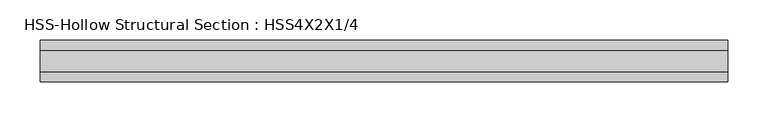
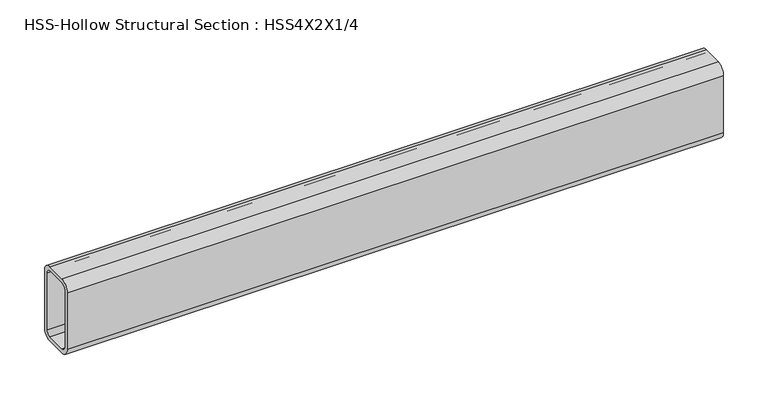
"""IFC4 building model written with IfcOpenShell, lengths in millimetres: beam geometry, HSS-Hollow Structural Section : HSS4X2X1/4."""

from ifc_helpers import new_model, si_unit, point, frame, frame_2d, origin, place, context, project, spatial, polyline, circle_curve, trimmed, segment, composite_curve, outline, extrude, source, transform, mapped, element, save


def hss_hollow_structural_section_hss4x2x1_4_97ce32f1(model_context):
    return source(origin(), model_context, "Body", "SweptSolid", [
        extrude(outline(composite_curve([segment(polyline([(25.4, 38.9636), (25.4, -38.9636)]), True, "CONTINUOUS"), segment(trimmed(circle_curve(frame_2d((13.5636, -38.9636)), 11.8364), [point((25.4, -38.9636))], [point((13.5636, -50.8))], False, "CARTESIAN"), True, "CONTINUOUS"), segment(polyline([(13.5636, -50.8), (-13.5636, -50.8)]), True, "CONTINUOUS"), segment(trimmed(circle_curve(frame_2d((-13.5636, -38.9636)), 11.8364), [point((-13.5636, -50.8))], [point((-25.4, -38.9636))], False, "CARTESIAN"), True, "CONTINUOUS"), segment(polyline([(-25.4, -38.9636), (-25.4, 38.9636)]), True, "CONTINUOUS"), segment(trimmed(circle_curve(frame_2d((-13.5636, 38.9636)), 11.8364), [point((-25.4, 38.9636))], [point((-13.5636, 50.8))], False, "CARTESIAN"), True, "CONTINUOUS"), segment(polyline([(-13.5636, 50.8), (13.5636, 50.8)]), True, "CONTINUOUS"), segment(trimmed(circle_curve(frame_2d((13.5636, 38.9636)), 11.8364), [point((13.5636, 50.8))], [point((25.4, 38.9636))], False, "CARTESIAN"), True, "CONTINUOUS")], self_intersect=False), holes=[composite_curve([segment(trimmed(circle_curve(frame_2d((-13.5636, 38.9636)), 5.9182), [point((-13.5636, 44.8818))], [point((-19.4818, 38.9636))], True, "CARTESIAN"), True, "CONTINUOUS"), segment(polyline([(-19.4818, 38.9636), (-19.4818, -38.9636)]), True, "CONTINUOUS"), segment(trimmed(circle_curve(frame_2d((-13.5636, -38.9636)), 5.9182), [point((-19.4818, -38.9636))], [point((-13.5636, -44.8818))], True, "CARTESIAN"), True, "CONTINUOUS"), segment(polyline([(-13.5636, -44.8818), (13.5636, -44.8818)]), True, "CONTINUOUS"), segment(trimmed(circle_curve(frame_2d((13.5636, -38.9636)), 5.9182), [point((13.5636, -44.8818))], [point((19.4818, -38.9636))], True, "CARTESIAN"), True, "CONTINUOUS"), segment(polyline([(19.4818, -38.9636), (19.4818, 38.9636)]), True, "CONTINUOUS"), segment(trimmed(circle_curve(frame_2d((13.5636, 38.9636)), 5.9182), [point((19.4818, 38.9636))], [point((13.5636, 44.8818))], True, "CARTESIAN"), True, "CONTINUOUS"), segment(polyline([(13.5636, 44.8818), (-13.5636, 44.8818)]), True, "CONTINUOUS")], self_intersect=False)]), frame((-423.4815, 0.0, 0.0), z_axis=(1.0, 0.0, 0.0), x_axis=(0.0, 1.0, 0.0)), (0.0, 0.0, 1.0), 849.63),
    ])


if __name__ == "__main__":
    model = new_model("IFC4")
    model_context = context("Model", 3, world=origin())
    ifc_project = project(units=[si_unit("LENGTHUNIT", "METRE", prefix="MILLI")], contexts=[model_context])
    site = spatial("IfcSite", under=ifc_project)
    building = spatial("IfcBuilding", under=site)
    placement = place(None, origin())
    hss_hollow_structural_section_hss4x2x1_4_shape = hss_hollow_structural_section_hss4x2x1_4_97ce32f1(model_context)
    element("IfcBeam", 1, ObjectType="HSS-Hollow Structural Section : HSS4X2X1/4", at=placement, inside=building, context=model_context, shape_type="MappedRepresentation", body=[
        mapped(hss_hollow_structural_section_hss4x2x1_4_shape, transform((0.0, 0.0, 0.0), x_axis=(1.0, 0.0, 0.0), y_axis=(0.0, 1.0, 0.0), z_axis=(0.0, 0.0, 1.0))),
    ])
    save(model, "model.ifc")
